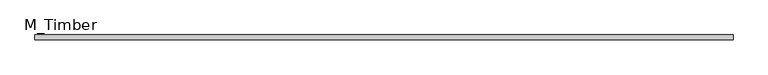
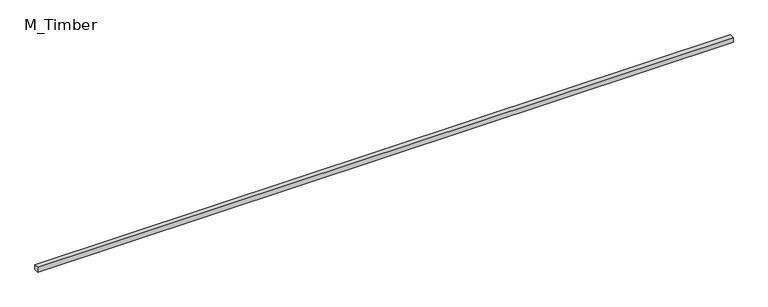
"""IFC4 building model written with IfcOpenShell, lengths in millimetres: beam geometry, M_Timber."""

from ifc_helpers import new_model, si_unit, frame, origin, place, context, project, spatial, polyline, outline, extrude, source, transform, mapped, element, save


def m_timber_8360af0b(model_context):
    return source(origin(), model_context, "Body", "SweptSolid", [
        extrude(outline(polyline([(2853.4660017, 20.0), (2853.4660017, -20.0), (-2853.4660017, -20.0), (-2853.4660017, 20.0), (2853.4660017, 20.0)])), frame((0.0, 0.0, -20.0), z_axis=(0.0, 0.0, 1.0), x_axis=(1.0, 0.0, 0.0)), (0.0, 0.0, 1.0), 40.0),
    ])


if __name__ == "__main__":
    model = new_model("IFC4")
    model_context = context("Model", 3, world=origin())
    ifc_project = project(units=[si_unit("LENGTHUNIT", "METRE", prefix="MILLI")], contexts=[model_context])
    site = spatial("IfcSite", under=ifc_project)
    building = spatial("IfcBuilding", under=site)
    placement = place(None, origin())
    m_timber_shape = m_timber_8360af0b(model_context)
    element("IfcBeam", 1, ObjectType="M_Timber", at=placement, inside=building, context=model_context, shape_type="MappedRepresentation", body=[
        mapped(m_timber_shape, transform((0.0, 0.0, 0.0), x_axis=(1.0, 0.0, 0.0), y_axis=(0.0, 1.0, 0.0), z_axis=(0.0, 0.0, 1.0))),
    ])
    save(model, "model.ifc")
